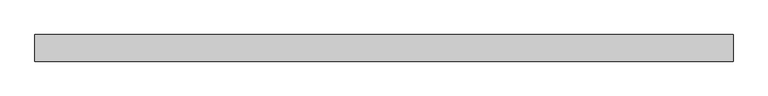
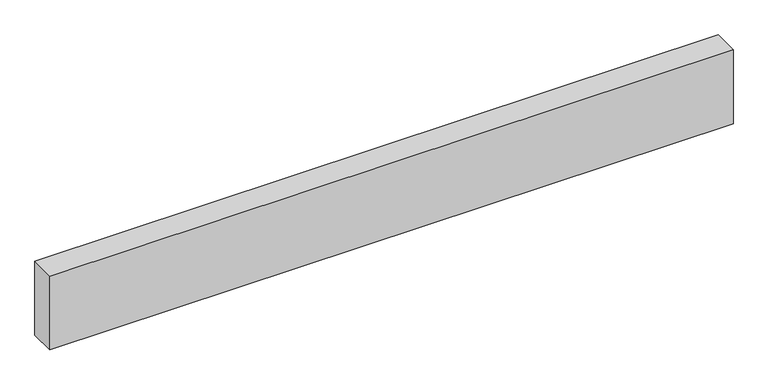
"""IFC4 building model written with IfcOpenShell, lengths in millimetres: proxy geometry."""

from ifc_helpers import new_model, si_unit, origin, origin_with_axes, place, context, project, spatial, polyline, outline, extrude, source, transform, mapped, element, save


def generic_models_7cbcc3e0(model_context):
    return source(origin(), model_context, "Body", "SweptSolid", [
        extrude(outline(polyline([(2623.1098884, 0.0), (2623.1098884, -100.0), (0.0, -100.0), (0.0, 0.0), (2623.1098884, 0.0)])), origin_with_axes(), (0.0, 0.0, 1.0), 300.0),
    ])


if __name__ == "__main__":
    model = new_model("IFC4")
    model_context = context("Model", 3, world=origin())
    ifc_project = project(units=[si_unit("LENGTHUNIT", "METRE", prefix="MILLI")], contexts=[model_context])
    site = spatial("IfcSite", under=ifc_project)
    building = spatial("IfcBuilding", under=site)
    placement = place(None, origin())
    generic_models_shape = generic_models_7cbcc3e0(model_context)
    element("IfcBuildingElementProxy", 1, Name="Generic Models", at=placement, inside=building, context=model_context, shape_type="MappedRepresentation", body=[
        mapped(generic_models_shape, transform((0.0, 0.0, 0.0), x_axis=(1.0, 0.0, 0.0), y_axis=(0.0, 1.0, 0.0), z_axis=(0.0, 0.0, 1.0))),
    ])
    save(model, "model.ifc")
